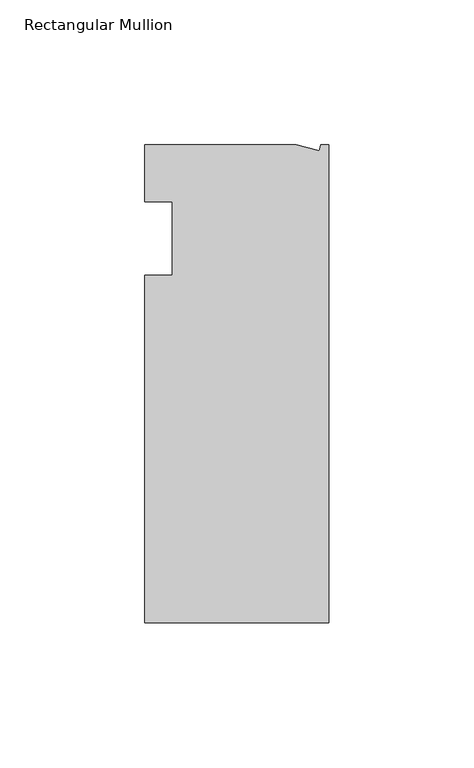
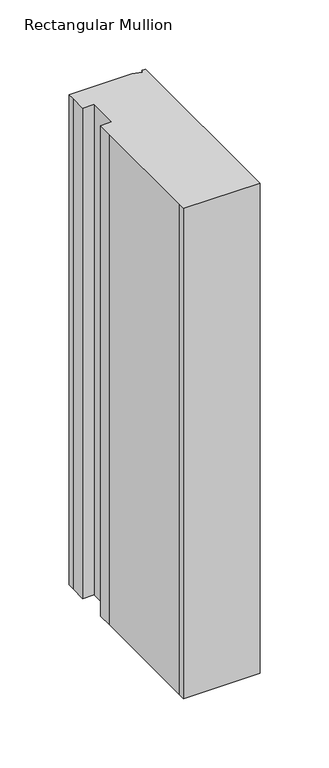
"""IFC4 building model written with IfcOpenShell, lengths in millimetres: member geometry, Rectangular Mullion."""

from ifc_helpers import new_model, si_unit, frame, origin, place, context, project, spatial, polyline, outline, extrude, source, transform, mapped, element, save


def rectangular_mullion_52f9fcd3(model_context):
    return source(origin(), model_context, "Body", "SweptSolid", [
        extrude(outline(polyline([(-11.1265412, 19.6597595), (-3.3457217, 17.5748952), (-2.787084, 19.6597595), (0.0, 19.6597595), (0.0, -145.4402405), (-63.5, -145.4402405), (-63.5, -139.091245), (-63.5, -38.3358837), (-63.5, -25.4), (-53.975, -25.4), (-53.975, 0.0), (-63.5, 0.0), (-63.5, 13.6200033), (-63.5, 19.6597595), (-11.1265412, 19.6597595)])), frame((0.0, 0.0, -431.8), z_axis=(0.0, 0.0, 1.0), x_axis=(1.0, 0.0, 0.0)), (0.0, 0.0, 1.0), 431.8),
    ])


if __name__ == "__main__":
    model = new_model("IFC4")
    model_context = context("Model", 3, world=origin())
    ifc_project = project(units=[si_unit("LENGTHUNIT", "METRE", prefix="MILLI")], contexts=[model_context])
    site = spatial("IfcSite", under=ifc_project)
    building = spatial("IfcBuilding", under=site)
    placement = place(None, origin())
    rectangular_mullion_shape = rectangular_mullion_52f9fcd3(model_context)
    element("IfcMember", 1, ObjectType="Rectangular Mullion", at=placement, inside=building, context=model_context, shape_type="MappedRepresentation", body=[
        mapped(rectangular_mullion_shape, transform((0.0, 0.0, 0.0), x_axis=(1.0, 0.0, 0.0), y_axis=(0.0, 1.0, 0.0), z_axis=(0.0, 0.0, 1.0))),
    ])
    save(model, "model.ifc")
